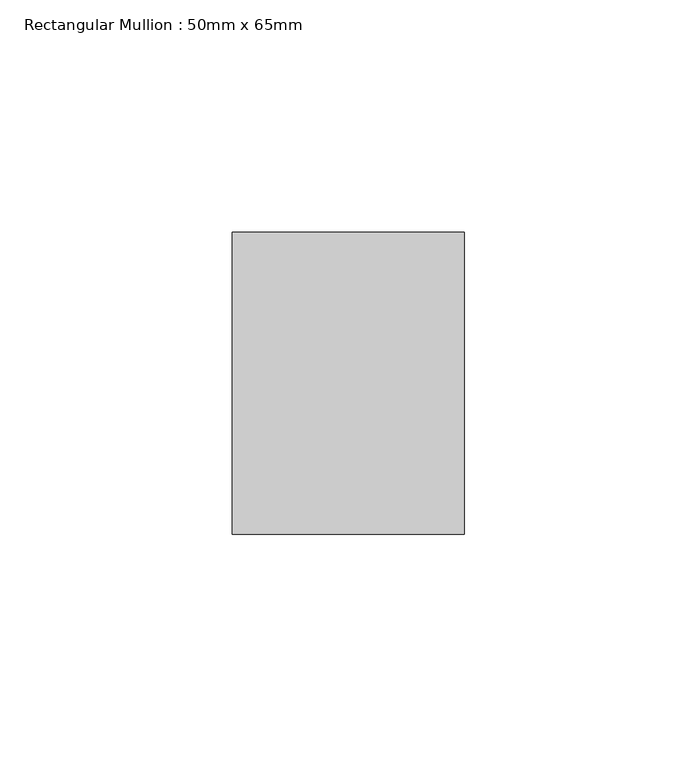
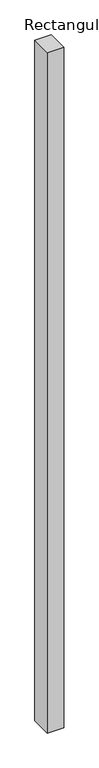
"""IFC4 building model written with IfcOpenShell, lengths in millimetres: member geometry, Rectangular Mullion : 50mm x 65mm."""

from ifc_helpers import new_model, si_unit, frame, origin, place, context, project, spatial, polyline, outline, extrude, source, transform, mapped, element, save


def rectangular_mullion_50mm_x_65mm_ce729c6e(model_context):
    return source(origin(), model_context, "Body", "SweptSolid", [
        extrude(outline(polyline([(25.0, 32.5), (25.0, -32.5), (-25.0, -32.5), (-25.0, 32.5), (25.0, 32.5)])), frame((0.0, 0.0, -2186.9742749), z_axis=(0.0, 0.0, 1.0), x_axis=(1.0, 0.0, 0.0)), (0.0, 0.0, 1.0), 2186.9742749),
    ])


if __name__ == "__main__":
    model = new_model("IFC4")
    model_context = context("Model", 3, world=origin())
    ifc_project = project(units=[si_unit("LENGTHUNIT", "METRE", prefix="MILLI")], contexts=[model_context])
    site = spatial("IfcSite", under=ifc_project)
    building = spatial("IfcBuilding", under=site)
    placement = place(None, origin())
    rectangular_mullion_50mm_x_65mm_shape = rectangular_mullion_50mm_x_65mm_ce729c6e(model_context)
    element("IfcMember", 1, ObjectType="Rectangular Mullion : 50mm x 65mm", at=placement, inside=building, context=model_context, shape_type="MappedRepresentation", body=[
        mapped(rectangular_mullion_50mm_x_65mm_shape, transform((0.0, 0.0, 0.0), x_axis=(1.0, 0.0, 0.0), y_axis=(0.0, 1.0, 0.0), z_axis=(0.0, 0.0, 1.0))),
    ])
    save(model, "model.ifc")
